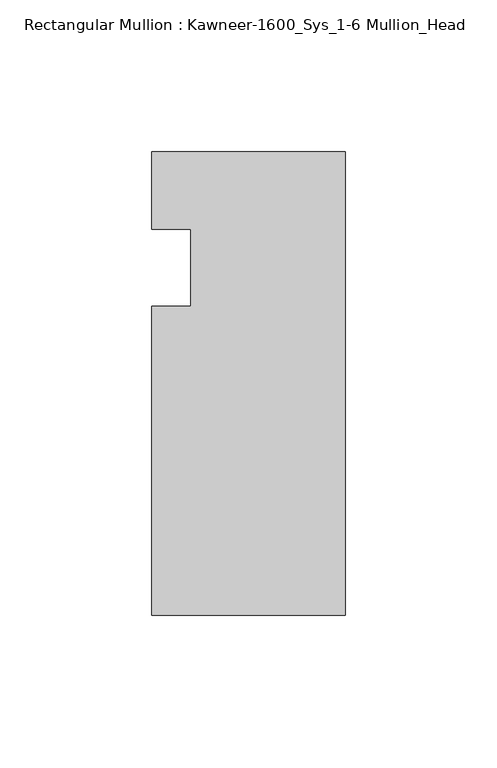
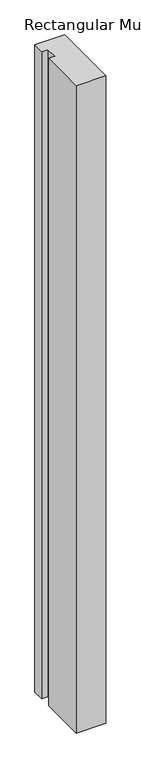
"""IFC4 building model written with IfcOpenShell, lengths in millimetres: member geometry, Rectangular Mullion : Kawneer-1600_Sys_1-6 Mullion_Head."""

from ifc_helpers import new_model, si_unit, frame, origin, place, context, project, spatial, polyline, outline, extrude, source, transform, mapped, element, save


def rectangular_mullion_kawneer_1600_sys_1_6_mullion_head_5498841b(model_context):
    return source(origin(), model_context, "Body", "SweptSolid", [
        extrude(outline(polyline([(-63.5, -114.3), (-63.5, -12.7), (-50.7982296, -12.7), (-50.7982296, 12.7), (-63.5, 12.7), (-63.5, 38.1), (0.0, 38.1), (0.0, -114.3), (-63.5, -114.3)])), frame((0.0, 0.0, -1460.5), z_axis=(0.0, 0.0, 1.0), x_axis=(1.0, 0.0, 0.0)), (0.0, 0.0, 1.0), 1460.5),
    ])


if __name__ == "__main__":
    model = new_model("IFC4")
    model_context = context("Model", 3, world=origin())
    ifc_project = project(units=[si_unit("LENGTHUNIT", "METRE", prefix="MILLI")], contexts=[model_context])
    site = spatial("IfcSite", under=ifc_project)
    building = spatial("IfcBuilding", under=site)
    placement = place(None, origin())
    rectangular_mullion_kawneer_1600_sys_1_6_mullion_head_shape = rectangular_mullion_kawneer_1600_sys_1_6_mullion_head_5498841b(model_context)
    element("IfcMember", 1, ObjectType="Rectangular Mullion : Kawneer-1600_Sys_1-6 Mullion_Head", at=placement, inside=building, context=model_context, shape_type="MappedRepresentation", body=[
        mapped(rectangular_mullion_kawneer_1600_sys_1_6_mullion_head_shape, transform((0.0, 0.0, 0.0), x_axis=(1.0, 0.0, 0.0), y_axis=(0.0, 1.0, 0.0), z_axis=(0.0, 0.0, 1.0))),
    ])
    save(model, "model.ifc")
